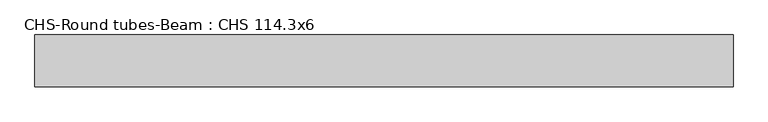
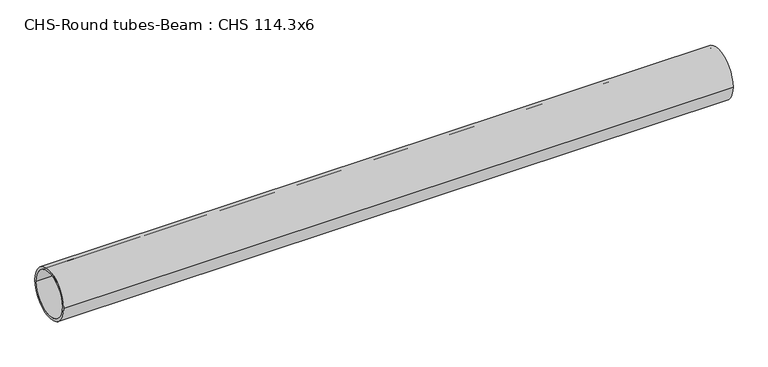
"""IFC4 building model written with IfcOpenShell, lengths in millimetres: beam geometry, CHS-Round tubes-Beam : CHS 114.3x6."""

from ifc_helpers import new_model, si_unit, point, frame, origin, origin_2d, place, context, project, spatial, circle_curve, trimmed, segment, composite_curve, outline, extrude, source, transform, mapped, element, save


def chs_round_tubes_beam_chs_114_3x6_f5de819c(model_context):
    return source(origin(), model_context, "Body", "SweptSolid", [
        extrude(outline(composite_curve([segment(trimmed(circle_curve(origin_2d(), 57.15), [point((57.15, 0.0))], [point((-57.15, 0.0))], False, "CARTESIAN"), True, "CONTINUOUS"), segment(trimmed(circle_curve(origin_2d(), 57.15), [point((-57.15, 0.0))], [point((57.15, 0.0))], False, "CARTESIAN"), True, "CONTINUOUS")], self_intersect=False), holes=[composite_curve([segment(trimmed(circle_curve(origin_2d(), 51.15), [point((51.15, 0.0))], [point((-51.15, 0.0))], True, "CARTESIAN"), True, "CONTINUOUS"), segment(trimmed(circle_curve(origin_2d(), 51.15), [point((-51.15, 0.0))], [point((51.15, 0.0))], True, "CARTESIAN"), True, "CONTINUOUS")], self_intersect=False)]), frame((-742.6755206, 0.0, 0.0), z_axis=(1.0, 0.0, 0.0), x_axis=(0.0, 1.0, 0.0)), (0.0, 0.0, 1.0), 1532.2040513),
    ])


if __name__ == "__main__":
    model = new_model("IFC4")
    model_context = context("Model", 3, world=origin())
    ifc_project = project(units=[si_unit("LENGTHUNIT", "METRE", prefix="MILLI")], contexts=[model_context])
    site = spatial("IfcSite", under=ifc_project)
    building = spatial("IfcBuilding", under=site)
    placement = place(None, origin())
    chs_round_tubes_beam_chs_114_3x6_shape = chs_round_tubes_beam_chs_114_3x6_f5de819c(model_context)
    element("IfcBeam", 1, ObjectType="CHS-Round tubes-Beam : CHS 114.3x6", at=placement, inside=building, context=model_context, shape_type="MappedRepresentation", body=[
        mapped(chs_round_tubes_beam_chs_114_3x6_shape, transform((0.0, 0.0, 0.0), x_axis=(1.0, 0.0, 0.0), y_axis=(0.0, 1.0, 0.0), z_axis=(0.0, 0.0, 1.0))),
    ])
    save(model, "model.ifc")
